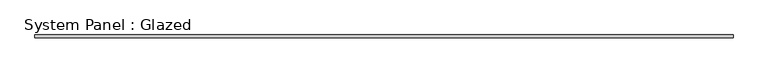
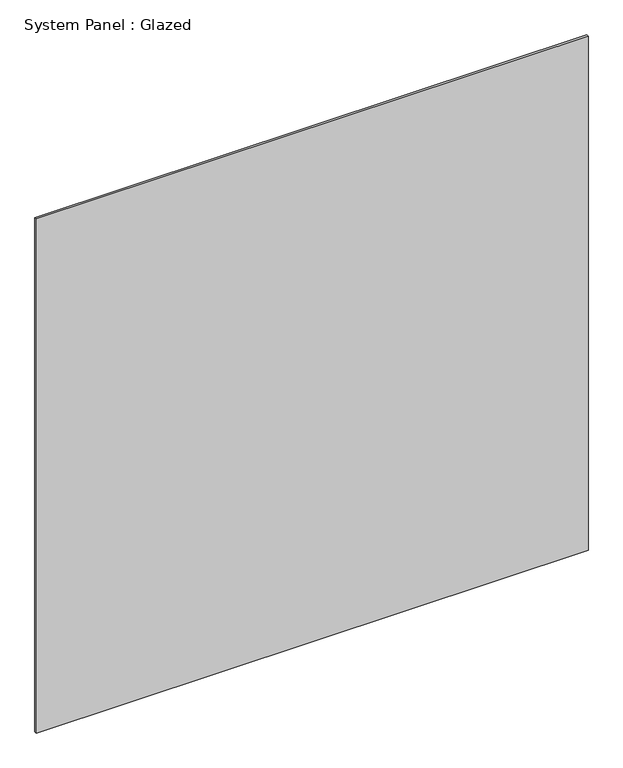
"""IFC4 building model written with IfcOpenShell, lengths in millimetres: plate geometry, System Panel : Glazed."""

from ifc_helpers import new_model, si_unit, origin, origin_with_axes, place, context, project, spatial, polyline, outline, extrude, source, transform, mapped, element, save


def system_panel_glazed_0c008337(model_context):
    return source(origin(), model_context, "Body", "SweptSolid", [
        extrude(outline(polyline([(739.775, 31.025), (-739.775, 31.025), (-739.775, 37.375), (739.775, 37.375), (739.775, 31.025)])), origin_with_axes(), (0.0, 0.0, 1.0), 1457.3392248),
    ])


if __name__ == "__main__":
    model = new_model("IFC4")
    model_context = context("Model", 3, world=origin())
    ifc_project = project(units=[si_unit("LENGTHUNIT", "METRE", prefix="MILLI")], contexts=[model_context])
    site = spatial("IfcSite", under=ifc_project)
    building = spatial("IfcBuilding", under=site)
    placement = place(None, origin())
    system_panel_glazed_shape = system_panel_glazed_0c008337(model_context)
    element("IfcPlate", 1, ObjectType="System Panel : Glazed", at=placement, inside=building, context=model_context, shape_type="MappedRepresentation", body=[
        mapped(system_panel_glazed_shape, transform((0.0, 0.0, 0.0), x_axis=(1.0, 0.0, 0.0), y_axis=(0.0, 1.0, 0.0), z_axis=(0.0, 0.0, 1.0))),
    ])
    save(model, "model.ifc")
